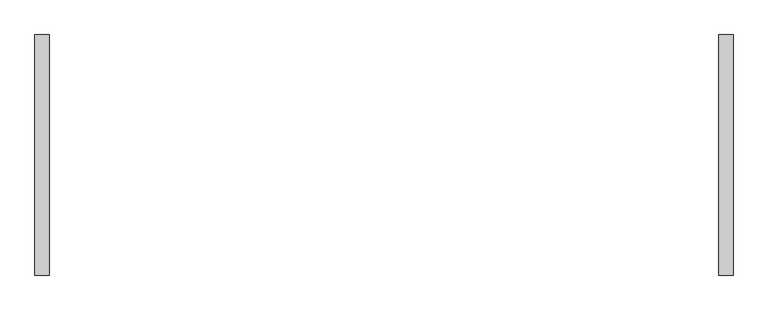
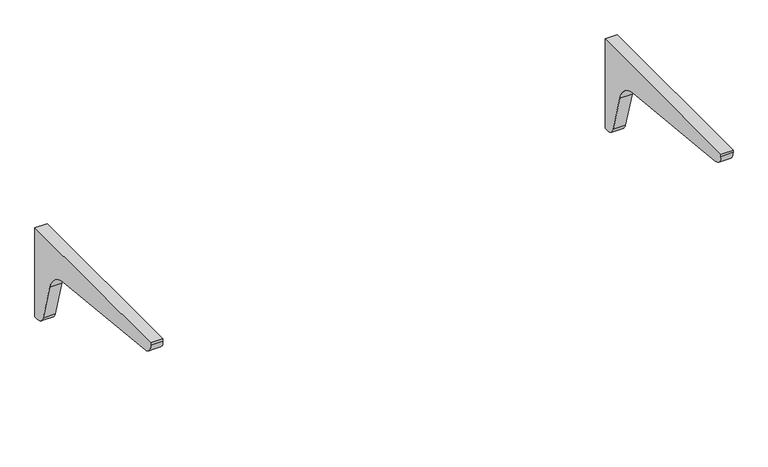
"""IFC4 building model written with IfcOpenShell, lengths in millimetres: furniture geometry."""

from ifc_helpers import new_model, si_unit, point, frame, frame_2d, origin, place, context, project, spatial, polyline, circle_curve, trimmed, segment, composite_curve, outline, extrude, source, transform, mapped, element, save


def furniture_8c90d75f(model_context):
    return source(origin(), model_context, "Body", "SweptSolid", [
        extrude(outline(composite_curve([segment(polyline([(177.8, 882.65), (177.8, 685.8), (168.7371495, 685.8)]), True, "CONTINUOUS"), segment(trimmed(circle_curve(frame_2d((168.7371495, 707.4467769)), 21.6467769), [point((168.7371495, 685.8))], [point((147.9289321, 701.4801165))], False, "CARTESIAN"), True, "CONTINUOUS"), segment(polyline([(147.9289321, 701.4801165), (124.3411705, 783.740416)]), True, "CONTINUOUS"), segment(trimmed(circle_curve(frame_2d((69.4050646, 767.987741)), 57.15), [point((124.3411705, 783.740416))], [point((75.1946456, 824.843728))], True, "CARTESIAN"), True, "CONTINUOUS"), segment(polyline([(75.1946456, 824.843728), (-221.2759719, 855.0329963)]), True, "CONTINUOUS"), segment(trimmed(circle_curve(frame_2d((-219.018772, 877.1995967)), 22.281228), [point((-221.2759719, 855.0329963))], [point((-241.3, 877.1995967))], False, "CARTESIAN"), True, "CONTINUOUS"), segment(polyline([(-241.3, 877.1995967), (-241.3, 882.65), (177.8, 882.65)]), True, "CONTINUOUS")], self_intersect=False)), frame((582.6125, 0.0, 0.0), z_axis=(1.0, 0.0, 0.0), x_axis=(0.0, 1.0, 0.0)), (0.0, 0.0, 1.0), 25.4),
        extrude(outline(composite_curve([segment(polyline([(177.8, 882.65), (177.8, 685.8), (168.7371495, 685.8)]), True, "CONTINUOUS"), segment(trimmed(circle_curve(frame_2d((168.7371495, 707.4467769)), 21.6467769), [point((168.7371495, 685.8))], [point((147.928932, 701.4801166))], False, "CARTESIAN"), True, "CONTINUOUS"), segment(polyline([(147.928932, 701.4801166), (124.3411706, 783.7404159)]), True, "CONTINUOUS"), segment(trimmed(circle_curve(frame_2d((69.4050646, 767.987741)), 57.15), [point((124.3411706, 783.7404159))], [point((75.1946456, 824.843728))], True, "CARTESIAN"), True, "CONTINUOUS"), segment(polyline([(75.1946456, 824.843728), (-221.2759719, 855.0329963)]), True, "CONTINUOUS"), segment(trimmed(circle_curve(frame_2d((-219.018772, 877.1995967)), 22.281228), [point((-221.2759719, 855.0329963))], [point((-241.3, 877.1995967))], False, "CARTESIAN"), True, "CONTINUOUS"), segment(polyline([(-241.3, 877.1995967), (-241.3, 882.65), (177.8, 882.65)]), True, "CONTINUOUS")], self_intersect=False)), frame((-608.0125, 0.0, 0.0), z_axis=(1.0, 0.0, 0.0), x_axis=(0.0, 1.0, 0.0)), (0.0, 0.0, 1.0), 25.4),
    ])


if __name__ == "__main__":
    model = new_model("IFC4")
    model_context = context("Model", 3, world=origin())
    ifc_project = project(units=[si_unit("LENGTHUNIT", "METRE", prefix="MILLI")], contexts=[model_context])
    site = spatial("IfcSite", under=ifc_project)
    building = spatial("IfcBuilding", under=site)
    placement = place(None, origin())
    furniture_shape = furniture_8c90d75f(model_context)
    element("IfcFurniture", 1, at=placement, inside=building, context=model_context, shape_type="MappedRepresentation", body=[
        mapped(furniture_shape, transform((0.0, 0.0, 0.0), x_axis=(1.0, 0.0, 0.0), y_axis=(0.0, 1.0, 0.0), z_axis=(0.0, 0.0, 1.0))),
    ])
    save(model, "model.ifc")
